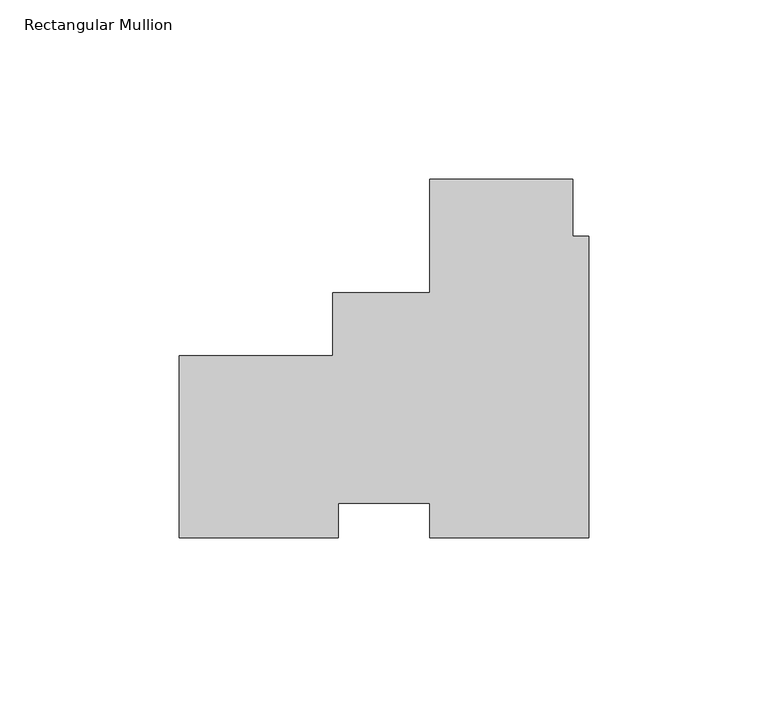
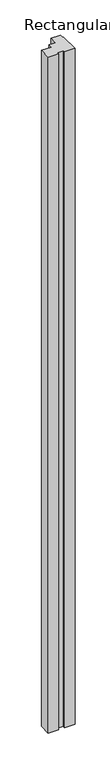
"""IFC4 building model written with IfcOpenShell, lengths in millimetres: member geometry, Rectangular Mullion."""

from ifc_helpers import new_model, si_unit, frame, origin, place, context, project, spatial, polyline, outline, extrude, source, transform, mapped, element, save


def rectangular_mullion_ccbc26b2(model_context):
    return source(origin(), model_context, "Body", "SweptSolid", [
        extrude(outline(polyline([(-114.2994705, 23.368), (-71.4369705, 23.368), (-71.4369705, 40.8305), (-44.4419775, 40.8305), (-44.4419775, 72.5805), (-4.436872, 72.57867), (-4.436872, 56.7045795), (0.0, 56.7045795), (0.0, -27.432), (-44.4093453, -27.432), (-44.4093453, -17.907), (-69.8970437, -17.907), (-69.8970437, -27.432), (-114.2994705, -27.432), (-114.2994705, 23.368)])), frame((0.0, 0.0, -3048.0), z_axis=(0.0, 0.0, 1.0), x_axis=(1.0, 0.0, 0.0)), (0.0, 0.0, 1.0), 3048.0),
    ])


if __name__ == "__main__":
    model = new_model("IFC4")
    model_context = context("Model", 3, world=origin())
    ifc_project = project(units=[si_unit("LENGTHUNIT", "METRE", prefix="MILLI")], contexts=[model_context])
    site = spatial("IfcSite", under=ifc_project)
    building = spatial("IfcBuilding", under=site)
    placement = place(None, origin())
    rectangular_mullion_shape = rectangular_mullion_ccbc26b2(model_context)
    element("IfcMember", 1, ObjectType="Rectangular Mullion", at=placement, inside=building, context=model_context, shape_type="MappedRepresentation", body=[
        mapped(rectangular_mullion_shape, transform((0.0, 0.0, 0.0), x_axis=(1.0, 0.0, 0.0), y_axis=(0.0, 1.0, 0.0), z_axis=(0.0, 0.0, 1.0))),
    ])
    save(model, "model.ifc")
